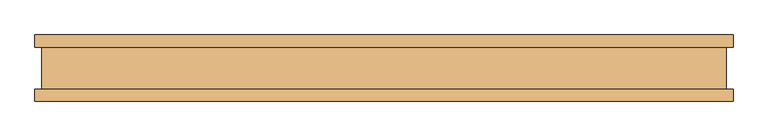
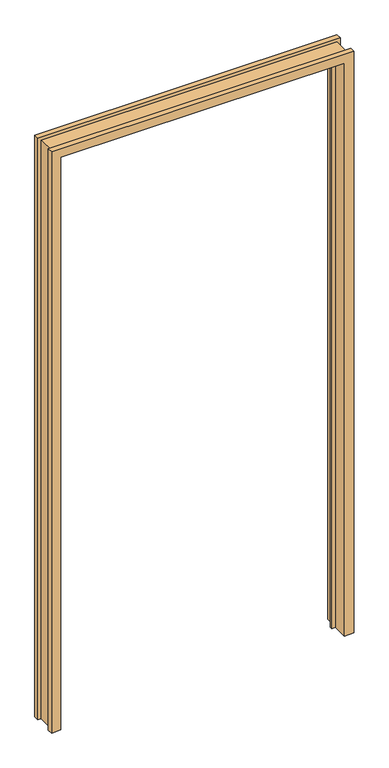
"""IFC4 building model written with IfcOpenShell, lengths in millimetres: door geometry."""

import ifcopenshell
import ifcopenshell.guid

model = None  # the IFC model being written
_history = None  # IfcOwnerHistory: only IFC2X3 demands one
_inside = {}  # id of a spatial element -> (the spatial element, [elements in it])
_under = {}  # id of a project, library or spatial element -> (it, [spatial elements below it])
_declared = {}  # id of a project -> (the project, [libraries it declares])
_typed = {}  # id of a type object -> (the type object, [elements of that type])
_made_of = {}  # id of a material, layer set ... -> (it, [elements and type objects made of it])


def new_model(schema):
    """Start an empty IFC model of exactly this schema.

    Asked for "IFC4X3", IfcOpenShell would pick the latest addendum, in which some entities
    have other attributes; the version numbers below select the first issue.
    IFC2X3 requires an IfcOwnerHistory on every rooted entity: one is made here for all.
    """
    global model, _history
    if schema == "IFC4X3":
        model = ifcopenshell.file(schema_version=(4, 3, 0, 0))
    else:
        model = ifcopenshell.file(schema=schema)
    _inside.clear()
    _under.clear()
    _declared.clear()
    _typed.clear()
    _made_of.clear()
    _history = None
    if model.schema == "IFC2X3":
        org = make("IfcOrganization", Name="unknown")
        user = make(
            "IfcPersonAndOrganization",
            ThePerson=make("IfcPerson", FamilyName="unknown"),
            TheOrganization=org,
        )
        app = make(
            "IfcApplication",
            ApplicationDeveloper=org,
            Version="unknown",
            ApplicationFullName="unknown",
            ApplicationIdentifier="unknown",
        )
        _history = make(
            "IfcOwnerHistory",
            OwningUser=user,
            OwningApplication=app,
            ChangeAction="ADDED",
            CreationDate=0,
        )
    return model


def make(cls, **values):
    """One entity of the class cls with the attributes given. An attribute that is None is left unset."""
    return model.create_entity(
        cls, **{name: value for name, value in values.items() if value is not None}
    )


def rooted(cls, **values):
    """An entity with a GlobalId (a new one), such as an element, a storey or a relation."""
    return make(cls, GlobalId=ifcopenshell.guid.new(), OwnerHistory=_history, **values)


def si_unit(unit_type, name, prefix=None):
    """IfcSIUnit, for example si_unit("LENGTHUNIT", "METRE", prefix="MILLI")."""
    return make("IfcSIUnit", UnitType=unit_type, Prefix=prefix, Name=name)


def assignment(units):
    """IfcUnitAssignment: the units of a project."""
    return None if units is None else make("IfcUnitAssignment", Units=units)


def point(xyz):
    """IfcCartesianPoint."""
    return None if xyz is None else make("IfcCartesianPoint", Coordinates=xyz)


def direction(xyz):
    """IfcDirection."""
    return None if xyz is None else make("IfcDirection", DirectionRatios=xyz)


def frame(location, z_axis=None, x_axis=None):
    """IfcAxis2Placement3D, a coordinate frame: its origin and axes. An axis left out is left unset."""
    return make(
        "IfcAxis2Placement3D",
        Location=point(location),
        Axis=direction(z_axis),
        RefDirection=direction(x_axis),
    )


def origin():
    """The frame at (0, 0, 0) with its axes left unset."""
    return frame((0.0, 0.0, 0.0))


def place(relative_to, where):
    """IfcLocalPlacement: puts the frame where relative to a parent placement (None: the world)."""
    return make(
        "IfcLocalPlacement", PlacementRelTo=relative_to, RelativePlacement=where
    )


def context(
    kind, dimensions, precision=None, world=None, true_north=None, identifier=None
):
    """IfcGeometricRepresentationContext, for example the 3D "Model" context."""
    return make(
        "IfcGeometricRepresentationContext",
        ContextIdentifier=identifier,
        ContextType=kind,
        CoordinateSpaceDimension=dimensions,
        Precision=precision,
        WorldCoordinateSystem=world,
        TrueNorth=true_north,
    )


def project(units=None, contexts=None):
    """IfcProject with its units and contexts."""
    return rooted(
        "IfcProject",
        Name="project",
        RepresentationContexts=contexts,
        UnitsInContext=assignment(units),
    )


def spatial(cls, under=None, at=None, **own):
    """A site, building, storey or space (cls), placed at a placement, below another one or the project."""
    s = rooted(cls, ObjectPlacement=at, **own)
    if under is not None:
        _under.setdefault(under.id(), (under, []))[1].append(s)
    return s


def faces_of(points, faces, orient=None, outer=None):
    """IfcFace entities. A face is a list of loops; a loop is a list of indices into points, from 0.

    orient and outer hold one flag for each loop. By default every Orientation is true, the
    first loop of a face is its IfcFaceOuterBound and the others are IfcFaceBound.
    """
    made = []
    for i, loops in enumerate(faces):
        bounds = []
        for j, loop in enumerate(loops):
            is_outer = j == 0 if outer is None else outer[i][j]
            bounds.append(
                make(
                    "IfcFaceOuterBound" if is_outer else "IfcFaceBound",
                    Bound=make("IfcPolyLoop", Polygon=[points[k] for k in loop]),
                    Orientation=True if orient is None else orient[i][j],
                )
            )
        made.append(make("IfcFace", Bounds=bounds))
    return made


def faceted_brep(points, faces, orient=None, outer=None, voids=None):
    """IfcFacetedBrep: a solid bounded by flat faces; with voids (closed shells), ...WithVoids."""
    shared = [point(p) for p in points]
    hull = make("IfcClosedShell", CfsFaces=faces_of(shared, faces, orient, outer))
    if voids is None:
        return make("IfcFacetedBrep", Outer=hull)
    return make(
        "IfcFacetedBrepWithVoids",
        Outer=hull,
        Voids=[
            make(cls, CfsFaces=faces_of(shared, fs, o, b)) for cls, fs, o, b in voids
        ],
    )


def shape(context_of_items, identifier, shape_type, items):
    """IfcShapeRepresentation: the items that make up one representation, for example the "Body"."""
    return make(
        "IfcShapeRepresentation",
        ContextOfItems=context_of_items,
        RepresentationIdentifier=identifier,
        RepresentationType=shape_type,
        Items=items,
    )


def source(mapping_origin, context_of_items, identifier, shape_type, items):
    """IfcRepresentationMap: a shape defined once, which mapped items show again and again."""
    return make(
        "IfcRepresentationMap",
        MappingOrigin=mapping_origin,
        MappedRepresentation=shape(context_of_items, identifier, shape_type, items),
    )


def transform(
    local_origin,
    x_axis=None,
    y_axis=None,
    z_axis=None,
    scale=None,
    scale2=None,
    scale3=None,
    uniform=True,
):
    """IfcCartesianTransformationOperator3D, or its non-uniform kind. x_axis, y_axis, z_axis: its Axis1, 2, 3."""
    if uniform:
        return make(
            "IfcCartesianTransformationOperator3D",
            Axis1=direction(x_axis),
            Axis2=direction(y_axis),
            LocalOrigin=point(local_origin),
            Scale=scale,
            Axis3=direction(z_axis),
        )
    return make(
        "IfcCartesianTransformationOperator3DnonUniform",
        Axis1=direction(x_axis),
        Axis2=direction(y_axis),
        LocalOrigin=point(local_origin),
        Scale=scale,
        Axis3=direction(z_axis),
        Scale2=scale2,
        Scale3=scale3,
    )


def mapped(mapping_source, mapping_target):
    """IfcMappedItem: shows the shape of a source again, moved by a transform."""
    return make(
        "IfcMappedItem", MappingSource=mapping_source, MappingTarget=mapping_target
    )


def made_of(thing, what):
    """Note that an element or type object is made of a material, layer set ...; save() writes the relation."""
    if what is not None:
        _made_of.setdefault(what.id(), (what, []))[1].append(thing)
    return thing


def element(
    cls,
    number,
    at=None,
    inside=None,
    cuts=None,
    type_object=None,
    material=None,
    context=None,
    identifier="Body",
    shape_type=None,
    held_by="IfcProductDefinitionShape",
    body=None,
    shapes=None,
    **own,
):
    """One element of the class cls, such as IfcWall. Its Tag is "e" and its number.

    at: its placement. inside: the storey or other place that contains it. cuts: it is an
    opening in that element (IfcRelVoidsElement). A single representation is given by context,
    identifier, shape_type and body (its items); several are given by shapes. held_by: the class
    of the entity that holds the representations. save() writes the other relations.
    """
    e = rooted(cls, Tag="e%d" % number, ObjectPlacement=at, **own)
    if body is not None:
        shapes = [shape(context, identifier, shape_type, body)]
    if shapes is not None:
        e.Representation = make(held_by, Representations=shapes)
    if inside is not None:
        _inside.setdefault(inside.id(), (inside, []))[1].append(e)
    if cuts is not None:
        rooted(
            "IfcRelVoidsElement", RelatingBuildingElement=cuts, RelatedOpeningElement=e
        )
    if type_object is not None:
        _typed.setdefault(type_object.id(), (type_object, []))[1].append(e)
    return made_of(e, material)


def aggregate(whole, parts):
    """IfcRelAggregates: a whole, such as a stair, and the parts it consists of."""
    return rooted("IfcRelAggregates", RelatingObject=whole, RelatedObjects=parts)


def save(model, path):
    """Write the relations noted so far, then the file.

    IfcRelAggregates (storeys below a building ...), IfcRelContainedInSpatialStructure (elements
    in a storey), IfcRelDefinesByType, IfcRelAssociatesMaterial and IfcRelDeclares: one each for
    every whole, place, type object, material and project.
    """
    for whole, parts in _under.values():
        aggregate(whole, parts)
    for where, things in _inside.values():
        rooted(
            "IfcRelContainedInSpatialStructure",
            RelatedElements=things,
            RelatingStructure=where,
        )
    for kind, things in _typed.values():
        rooted("IfcRelDefinesByType", RelatedObjects=things, RelatingType=kind)
    for what, things in _made_of.values():
        rooted("IfcRelAssociatesMaterial", RelatedObjects=things, RelatingMaterial=what)
    for by, libraries in _declared.values():
        rooted("IfcRelDeclares", RelatingContext=by, RelatedDefinitions=libraries)
    model.write(path)


def door_4c7ca0d2(model_context):
    return source(origin(), model_context, "Body", "Brep", [
        faceted_brep([(-492.3282, -50.0254003, 0.0), (-524.9672, -50.0254003, 0.0), (-524.9672, -31.4833003, 0.0), (-514.35, -31.4833003, 0.0), (-514.35, 31.4833003, 0.0), (-524.9672, 31.4833003, 0.0), (-524.9672, 50.0254003, 0.0), (-492.3282, 50.0254003, 0.0), (-492.3282, 10.8710997, 0.0), (-479.3742, 10.8710997, 0.0), (-479.3742, 2.5906997, 0.0), (-492.3282, 2.5906997, 0.0), (492.3282, -50.0254003, 0.0), (492.3282, 2.5906997, 0.0), (479.3742, 2.5906997, 0.0), (479.3742, 10.8710997, 0.0), (492.3282, 10.8710997, 0.0), (492.3282, 50.0254003, 0.0), (524.9672, 50.0254003, 0.0), (524.9672, 31.4833003, 0.0), (514.35, 31.4833003, 0.0), (514.35, -31.4833003, 0.0), (524.9672, -31.4833003, 0.0), (524.9672, -50.0254003, 0.0), (-492.3282, 2.5906997, 2100.5725997), (-492.3282, -50.0254003, 2100.5725997), (-479.3742, 2.5906997, 2087.6185997), (479.3742, 2.5906997, 2087.6185997), (492.3282, 2.5906997, 2100.5725997), (-479.3742, 10.8710997, 2087.6185997), (-492.3282, 10.8710997, 2100.5725997), (492.3282, 10.8710997, 2100.5725997), (479.3742, 10.8710997, 2087.6185997), (-492.3282, 50.0254003, 2100.5725997), (-524.9672, 50.0254003, 2133.2115997), (524.9672, 50.0254003, 2133.2115997), (492.3282, 50.0254003, 2100.5725997), (-524.9672, 31.4833003, 2133.2115997), (-514.35, 31.4833003, 2122.5943997), (514.35, 31.4833003, 2122.5943997), (524.9672, 31.4833003, 2133.2115997), (-514.35, -31.4833003, 2122.5943997), (-524.9672, -31.4833003, 2133.2115997), (524.9672, -31.4833003, 2133.2115997), (514.35, -31.4833003, 2122.5943997), (-524.9672, -50.0254003, 2133.2115997), (492.3282, -50.0254003, 2100.5725997), (524.9672, -50.0254003, 2133.2115997)], [[[0, 1, 2, 3, 4, 5, 6, 7, 8, 9, 10, 11]], [[12, 13, 14, 15, 16, 17, 18, 19, 20, 21, 22, 23]], [[11, 24, 25, 0]], [[10, 26, 27, 14, 13, 28, 24, 11]], [[9, 29, 26, 10]], [[8, 30, 31, 16, 15, 32, 29, 9]], [[7, 33, 30, 8]], [[6, 34, 35, 18, 17, 36, 33, 7]], [[5, 37, 34, 6]], [[4, 38, 39, 20, 19, 40, 37, 5]], [[3, 41, 38, 4]], [[2, 42, 43, 22, 21, 44, 41, 3]], [[1, 45, 42, 2]], [[0, 25, 46, 12, 23, 47, 45, 1]], [[24, 28, 46, 25]], [[29, 32, 27, 26]], [[33, 36, 31, 30]], [[37, 40, 35, 34]], [[41, 44, 39, 38]], [[45, 47, 43, 42]], [[28, 13, 12, 46]], [[32, 15, 14, 27]], [[36, 17, 16, 31]], [[40, 19, 18, 35]], [[44, 21, 20, 39]], [[47, 23, 22, 43]]]),
    ])


if __name__ == "__main__":
    model = new_model("IFC4")
    model_context = context("Model", 3, world=origin())
    ifc_project = project(units=[si_unit("LENGTHUNIT", "METRE", prefix="MILLI")], contexts=[model_context])
    site = spatial("IfcSite", under=ifc_project)
    building = spatial("IfcBuilding", under=site)
    placement = place(None, origin())
    door_shape = door_4c7ca0d2(model_context)
    element("IfcDoor", 1, at=placement, inside=building, context=model_context, shape_type="MappedRepresentation", body=[
        mapped(door_shape, transform((0.0, 0.0, 0.0), x_axis=(1.0, 0.0, 0.0), y_axis=(0.0, 1.0, 0.0), z_axis=(0.0, 0.0, 1.0))),
    ])
    save(model, "model.ifc")
